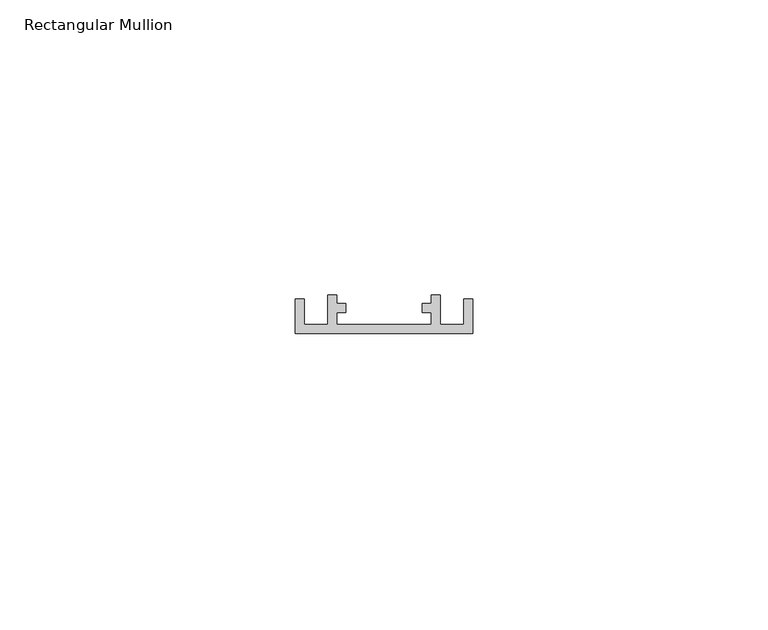
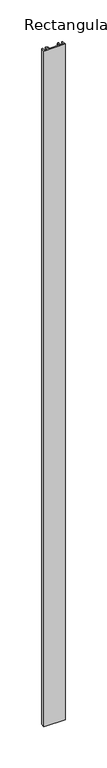
"""IFC4 building model written with IfcOpenShell, lengths in millimetres: member geometry, Rectangular Mullion."""

from ifc_helpers import new_model, si_unit, frame, origin, place, context, project, spatial, polyline, outline, extrude, source, transform, mapped, element, save


def rectangular_mullion_119ded9a(model_context):
    return source(origin(), model_context, "Body", "SweptSolid", [
        extrude(outline(polyline([(-13.5, 5.8660254), (-13.5, 1.5), (-9.5, 1.5), (-9.5, 6.5), (-8.0, 6.5), (-8.0, 5.05), (-6.5, 5.05), (-6.5, 3.55), (-8.0, 3.55), (-8.0, 1.5), (8.0, 1.5), (8.0, 3.55), (6.5, 3.55), (6.5, 5.05), (8.0, 5.05), (8.0, 6.5), (9.5, 6.5), (9.5, 1.5), (13.5, 1.5), (13.5, 5.8660254), (15.0, 5.8660254), (15.0, 0.0), (-15.0, 0.0), (-15.0, 5.8660254), (-13.5, 5.8660254)])), frame((0.0, 0.0, -1000.0), z_axis=(0.0, 0.0, 1.0), x_axis=(1.0, 0.0, 0.0)), (0.0, 0.0, 1.0), 1000.0),
    ])


if __name__ == "__main__":
    model = new_model("IFC4")
    model_context = context("Model", 3, world=origin())
    ifc_project = project(units=[si_unit("LENGTHUNIT", "METRE", prefix="MILLI")], contexts=[model_context])
    site = spatial("IfcSite", under=ifc_project)
    building = spatial("IfcBuilding", under=site)
    placement = place(None, origin())
    rectangular_mullion_shape = rectangular_mullion_119ded9a(model_context)
    element("IfcMember", 1, ObjectType="Rectangular Mullion", at=placement, inside=building, context=model_context, shape_type="MappedRepresentation", body=[
        mapped(rectangular_mullion_shape, transform((0.0, 0.0, 0.0), x_axis=(1.0, 0.0, 0.0), y_axis=(0.0, 1.0, 0.0), z_axis=(0.0, 0.0, 1.0))),
    ])
    save(model, "model.ifc")
